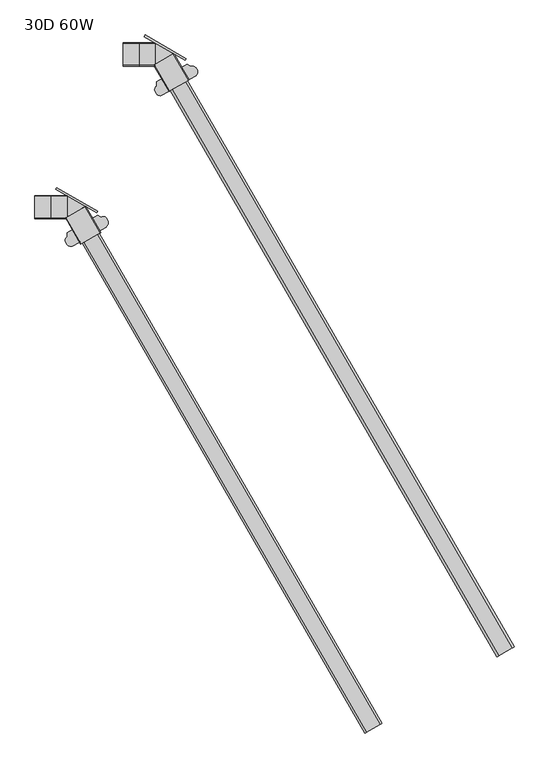
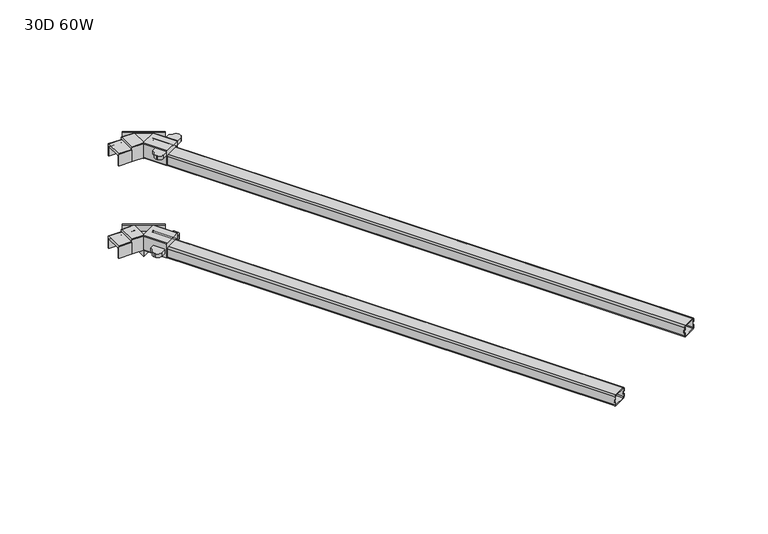
"""IFC4 building model written with IfcOpenShell, lengths in millimetres: furniture geometry, 30D 60W."""

from ifc_helpers import new_model, si_unit, point, frame, frame_2d, origin, place, context, project, spatial, polyline, circle_curve, trimmed, segment, composite_curve, outline, extrude, source, transform, mapped, element, save
from ifc_brep_helpers import plane_surface, cylinder_surface, revolved_surface, advanced_brep


def furniture_30d_60w_0c6207a5(model_context):
    return source(origin(), model_context, "Body", "SolidModel", [
        advanced_brep(
        [(1127.2693112, -177.0271966, 711.2), (1130.7334128, -175.0271966, 707.2), (1130.7334128, -175.0271966, 685.2), (1127.2693112, -177.0271966, 681.2), (1099.5564983, -193.0271966, 681.2), (1096.0923966, -195.0271966, 685.2), (1096.0923966, -195.0271966, 707.2), (1099.5564983, -193.0271966, 711.2), (1099.5564983, -193.0271966, 709.2), (1097.8244474, -194.0271966, 707.2), (1097.8244474, -194.0271966, 685.2), (1099.5564983, -193.0271966, 683.2), (1127.2693112, -177.0271966, 683.2), (1129.001362, -176.0271966, 685.2), (1129.001362, -176.0271966, 707.2), (1127.2693112, -177.0271966, 709.2), (1793.8382983, -1395.558549, 709.2), (1821.5511112, -1379.558549, 709.2), (1823.283162, -1378.558549, 707.2), (1823.283162, -1378.558549, 699.7), (1825.0152128, -1377.558549, 699.7), (1825.0152128, -1377.558549, 707.2), (1821.5511112, -1379.558549, 711.2), (1793.8382983, -1395.558549, 711.2), (1790.3741966, -1397.558549, 707.2), (1790.3741966, -1397.558549, 699.7), (1792.1062474, -1396.558549, 699.7), (1792.1062474, -1396.558549, 707.2), (1823.283162, -1378.558549, 685.2), (1821.5511112, -1379.558549, 683.2), (1793.8382983, -1395.558549, 683.2), (1792.1062474, -1396.558549, 685.2), (1792.1062474, -1396.558549, 692.7), (1790.3741966, -1397.558549, 692.7), (1790.3741966, -1397.558549, 685.2), (1793.8382983, -1395.558549, 681.2), (1821.5511112, -1379.558549, 681.2), (1825.0152128, -1377.558549, 685.2), (1825.0152128, -1377.558549, 692.7), (1823.283162, -1378.558549, 692.7), (1791.4237474, -1395.3764243, 699.7), (1791.1062474, -1394.8264982, 699.065), (1791.1062474, -1394.8264982, 693.335), (1791.4237474, -1395.3764243, 692.7), (1822.600662, -1377.3764243, 692.7), (1822.283162, -1376.8264982, 693.335), (1822.283162, -1376.8264982, 699.065), (1822.600662, -1377.3764243, 699.7), (1824.3327128, -1376.3764243, 699.7), (1824.0152128, -1375.8264982, 699.065), (1824.0152128, -1375.8264982, 693.335), (1824.3327128, -1376.3764243, 692.7), (1789.6916966, -1396.3764243, 692.7), (1789.3741966, -1395.8264982, 693.335), (1789.3741966, -1395.8264982, 699.065), (1789.6916966, -1396.3764243, 699.7)],
        [
            (0, 1, circle_curve(frame((1127.2693112, -177.0271966, 707.2), z_axis=(-0.4999999999999982, 0.8660254037844397, 0.0), x_axis=(-0.8660254037844397, -0.4999999999999982, 0.0)), 4.0)),
            (1, 2),
            (2, 3, circle_curve(frame((1127.2693112, -177.0271966, 685.2), z_axis=(-0.4999999999999982, 0.8660254037844397, 0.0), x_axis=(-0.8660254037844397, -0.4999999999999982, 0.0)), 4.0)),
            (3, 4),
            (4, 5, circle_curve(frame((1099.5564983, -193.0271966, 685.2), z_axis=(-0.4999999999999982, 0.8660254037844397, 0.0), x_axis=(-0.8660254037844397, -0.4999999999999982, 0.0)), 4.0)),
            (5, 6),
            (6, 7, circle_curve(frame((1099.5564983, -193.0271966, 707.2), z_axis=(-0.4999999999999982, 0.8660254037844397, 0.0), x_axis=(-0.8660254037844397, -0.4999999999999982, 0.0)), 4.0)),
            (7, 0),
            (8, 9, circle_curve(frame((1099.5564983, -193.0271966, 707.2), z_axis=(0.4999999999999982, -0.8660254037844397, 0.0), x_axis=(-0.8660254037844397, -0.4999999999999982, 0.0)), 2.0)),
            (9, 10),
            (10, 11, circle_curve(frame((1099.5564983, -193.0271966, 685.2), z_axis=(0.4999999999999982, -0.8660254037844397, 0.0), x_axis=(-0.8660254037844397, -0.4999999999999982, 0.0)), 2.0)),
            (11, 12),
            (12, 13, circle_curve(frame((1127.2693112, -177.0271966, 685.2), z_axis=(0.4999999999999982, -0.8660254037844397, 0.0), x_axis=(-0.8660254037844397, -0.4999999999999982, 0.0)), 2.0)),
            (13, 14),
            (14, 15, circle_curve(frame((1127.2693112, -177.0271966, 707.2), z_axis=(0.4999999999999982, -0.8660254037844397, 0.0), x_axis=(-0.8660254037844397, -0.4999999999999982, 0.0)), 2.0)),
            (15, 8),
            (16, 17),
            (17, 18, circle_curve(frame((1821.5511112, -1379.558549, 707.2), z_axis=(-0.4999999999999982, 0.8660254037844397, 0.0), x_axis=(-0.8660254037844397, -0.4999999999999982, 0.0)), 2.0)),
            (18, 19),
            (19, 20),
            (20, 21),
            (21, 22, circle_curve(frame((1821.5511112, -1379.558549, 707.2), z_axis=(0.4999999999999982, -0.8660254037844397, 0.0), x_axis=(-0.8660254037844397, -0.4999999999999982, 0.0)), 4.0)),
            (22, 23),
            (23, 24, circle_curve(frame((1793.8382983, -1395.558549, 707.2), z_axis=(0.4999999999999982, -0.8660254037844397, 0.0), x_axis=(-0.8660254037844397, -0.4999999999999982, 0.0)), 4.0)),
            (24, 25),
            (25, 26),
            (26, 27),
            (27, 16, circle_curve(frame((1793.8382983, -1395.558549, 707.2), z_axis=(-0.4999999999999982, 0.8660254037844397, 0.0), x_axis=(-0.8660254037844397, -0.4999999999999982, 0.0)), 2.0)),
            (28, 29, circle_curve(frame((1821.5511112, -1379.558549, 685.2), z_axis=(-0.4999999999999982, 0.8660254037844397, 0.0), x_axis=(-0.8660254037844397, -0.4999999999999982, 0.0)), 2.0)),
            (29, 30),
            (30, 31, circle_curve(frame((1793.8382983, -1395.558549, 685.2), z_axis=(-0.4999999999999982, 0.8660254037844397, 0.0), x_axis=(-0.8660254037844397, -0.4999999999999982, 0.0)), 2.0)),
            (31, 32),
            (32, 33),
            (33, 34),
            (34, 35, circle_curve(frame((1793.8382983, -1395.558549, 685.2), z_axis=(0.4999999999999982, -0.8660254037844397, 0.0), x_axis=(-0.8660254037844397, -0.4999999999999982, 0.0)), 4.0)),
            (35, 36),
            (36, 37, circle_curve(frame((1821.5511112, -1379.558549, 685.2), z_axis=(0.4999999999999982, -0.8660254037844397, 0.0), x_axis=(-0.8660254037844397, -0.4999999999999982, 0.0)), 4.0)),
            (37, 38),
            (38, 39),
            (39, 28),
            (8, 16),
            (27, 9),
            (26, 40),
            (40, 41, circle_curve(frame((1791.4237474, -1395.3764243, 699.065), z_axis=(-0.8660254037844389, -0.4999999999999995, 0.0), x_axis=(0.0, 0.0, 1.0)), 0.635)),
            (41, 42),
            (42, 43, circle_curve(frame((1791.4237474, -1395.3764243, 693.335), z_axis=(-0.8660254037844389, -0.4999999999999995, 0.0), x_axis=(0.0, 0.0, 1.0)), 0.635)),
            (43, 32),
            (31, 10),
            (30, 11),
            (29, 12),
            (28, 13),
            (39, 44),
            (44, 45, circle_curve(frame((1822.600662, -1377.3764243, 693.335), z_axis=(0.8660254037844389, 0.4999999999999995, 0.0), x_axis=(0.0, 0.0, 1.0)), 0.635)),
            (45, 46),
            (46, 47, circle_curve(frame((1822.600662, -1377.3764243, 699.065), z_axis=(0.8660254037844389, 0.4999999999999995, 0.0), x_axis=(0.0, 0.0, 1.0)), 0.635)),
            (47, 19),
            (18, 14),
            (17, 15),
            (0, 22),
            (21, 1),
            (20, 48),
            (48, 49, circle_curve(frame((1824.3327128, -1376.3764243, 699.065), z_axis=(-0.8660254037844389, -0.4999999999999995, 0.0), x_axis=(0.0, 0.0, 1.0)), 0.635)),
            (49, 50),
            (50, 51, circle_curve(frame((1824.3327128, -1376.3764243, 693.335), z_axis=(-0.8660254037844389, -0.4999999999999995, 0.0), x_axis=(0.0, 0.0, 1.0)), 0.635)),
            (51, 38),
            (37, 2),
            (36, 3),
            (35, 4),
            (34, 5),
            (33, 52),
            (52, 53, circle_curve(frame((1789.6916966, -1396.3764243, 693.335), z_axis=(0.8660254037844389, 0.4999999999999995, 0.0), x_axis=(0.0, 0.0, 1.0)), 0.635)),
            (53, 54),
            (54, 55, circle_curve(frame((1789.6916966, -1396.3764243, 699.065), z_axis=(0.8660254037844389, 0.4999999999999995, 0.0), x_axis=(0.0, 0.0, 1.0)), 0.635)),
            (55, 25),
            (24, 6),
            (23, 7),
            (55, 40),
            (47, 48),
            (54, 41),
            (46, 49),
            (53, 42),
            (45, 50),
            (52, 43),
            (44, 51),
        ],
        [
            plane_surface(frame((1097.8244474, -194.0271966, 707.2), z_axis=(-0.4999999999999982, 0.8660254037844397, 0.0), x_axis=(0.0, 0.0, -1.0))),
            plane_surface(frame((1792.1062474, -1396.558549, 707.2), z_axis=(0.4999999999999982, -0.8660254037844397, 0.0), x_axis=(0.0, 0.0, 1.0))),
            revolved_surface(polyline([(1792.106247492431, -1396.558549, 707.2), (1097.8244474564972, -194.02719656738122, 707.2)]), (1793.8382983, -1395.558549, 707.2), (0.4999999999999982, -0.8660254037844397, 0.0)),
            plane_surface(frame((1097.8244474, -194.0271966, 707.2), z_axis=(0.8660254037844397, 0.4999999999999982, 0.0), x_axis=(0.4999999999999982, -0.8660254037844397, 0.0))),
            revolved_surface(polyline([(1792.106247492431, -1396.558549, 685.2), (1097.8244474564972, -194.02719656738122, 685.2)]), (1793.8382983, -1395.558549, 685.2), (0.4999999999999982, -0.8660254037844397, 0.0)),
            plane_surface(frame((1099.5564983, -193.0271966, 683.2), z_axis=(0.0, 0.0, 1.0000000000000002), x_axis=(0.4999999999999983, -0.8660254037844397, 0.0))),
            revolved_surface(polyline([(1819.819060392431, -1380.558549, 685.2), (1125.5372603777128, -178.02719660412754, 685.2)]), (1821.5511112, -1379.558549, 685.2), (0.4999999999999982, -0.8660254037844397, 0.0)),
            plane_surface(frame((1129.001362, -176.0271966, 685.2), z_axis=(-0.8660254037844397, -0.4999999999999983, 0.0), x_axis=(0.4999999999999983, -0.8660254037844397, 0.0))),
            revolved_surface(polyline([(1819.819060392431, -1380.558549, 707.2), (1125.5372603777128, -178.02719660412754, 707.2)]), (1821.5511112, -1379.558549, 707.2), (0.4999999999999982, -0.8660254037844397, 0.0)),
            plane_surface(frame((1127.2693112, -177.0271966, 709.2), z_axis=(0.0, 0.0, -1.0), x_axis=(0.4999999999999982, -0.8660254037844397, 0.0))),
            cylinder_surface(frame((1774.9915889, -1298.9150908, 707.2), z_axis=(-0.4999999999999982, 0.8660254037844397, 0.0), x_axis=(-0.8660254037844397, -0.4999999999999982, 0.0)), 4.0),
            plane_surface(frame((1130.7334128, -175.0271966, 707.2), z_axis=(0.8660254037844397, 0.4999999999999982, 0.0), x_axis=(0.4999999999999982, -0.8660254037844397, 0.0))),
            cylinder_surface(frame((1774.9915889, -1298.9150908, 685.2), z_axis=(-0.4999999999999982, 0.8660254037844397, 0.0), x_axis=(-0.8660254037844397, -0.4999999999999982, 0.0)), 4.0),
            plane_surface(frame((1127.2693112, -177.0271966, 681.2), z_axis=(0.0, 0.0, -1.0), x_axis=(0.49999999999999817, -0.8660254037844397, 0.0))),
            cylinder_surface(frame((1747.278776, -1314.9150908, 685.2), z_axis=(-0.4999999999999982, 0.8660254037844397, 0.0), x_axis=(-0.8660254037844397, -0.4999999999999982, 0.0)), 4.0),
            plane_surface(frame((1096.0923966, -195.0271966, 685.2), z_axis=(-0.8660254037844397, -0.49999999999999817, 0.0), x_axis=(0.49999999999999817, -0.8660254037844397, 0.0))),
            cylinder_surface(frame((1747.278776, -1314.9150908, 707.2), z_axis=(-0.4999999999999982, 0.8660254037844397, 0.0), x_axis=(-0.8660254037844397, -0.4999999999999982, 0.0)), 4.0),
            plane_surface(frame((1099.5564983, -193.0271966, 711.2), z_axis=(0.0, 0.0, 1.0), x_axis=(0.4999999999999982, -0.8660254037844397, 0.0))),
            plane_surface(frame((1790.3741966, -1397.558549, 699.7), z_axis=(0.0, 0.0, -1.0000000000000002), x_axis=(0.8660254037844393, 0.49999999999999917, 0.0))),
            revolved_surface(polyline([(1789.6916965985577, -1396.376424328905, 699.7), (1791.4237474140477, -1395.3764243243318, 699.7)]), (1824.3327128, -1376.3764243, 699.065), (-0.8660254037844389, -0.4999999999999995, 0.0)),
            revolved_surface(polyline([(1822.6006619845098, -1377.3764243045734, 699.7), (1824.3327128, -1376.3764243, 699.7)]), (1824.3327128, -1376.3764243, 699.065), (-0.8660254037844389, -0.4999999999999995, 0.0)),
            plane_surface(frame((1789.3741966, -1395.8264982, 699.065), z_axis=(0.49999999999999917, -0.8660254037844393, 0.0), x_axis=(0.8660254037844393, 0.49999999999999917, 0.0))),
            revolved_surface(polyline([(1789.6916965985577, -1396.376424328905, 693.97), (1791.4237474140477, -1395.3764243243318, 693.97)]), (1824.3327128, -1376.3764243, 693.335), (-0.8660254037844389, -0.4999999999999995, 0.0)),
            revolved_surface(polyline([(1822.6006619845098, -1377.3764243045734, 693.97), (1824.3327128, -1376.3764243, 693.97)]), (1824.3327128, -1376.3764243, 693.335), (-0.8660254037844389, -0.4999999999999995, 0.0)),
            plane_surface(frame((1789.6916966, -1396.3764243, 692.7), z_axis=(0.0, 0.0, 1.0000000000000002), x_axis=(0.8660254037844393, 0.49999999999999917, 0.0))),
        ],
        [
            (0, [[1, 2, 3, 4, 5, 6, 7, 8], [9, 10, 11, 12, 13, 14, 15, 16]]),
            (1, [[17, 18, 19, 20, 21, 22, 23, 24, 25, 26, 27, 28]]),
            (1, [[29, 30, 31, 32, 33, 34, 35, 36, 37, 38, 39, 40]]),
            (2, [[-9, 41, -28, 42]]),
            (3, [[-10, -42, -27, 43, 44, 45, 46, 47, -32, 48]]),
            (4, [[-11, -48, -31, 49]]),
            (5, [[-12, -49, -30, 50]]),
            (6, [[-13, -50, -29, 51]]),
            (7, [[-14, -51, -40, 52, 53, 54, 55, 56, -19, 57]]),
            (8, [[-15, -57, -18, 58]]),
            (9, [[-16, -58, -17, -41]]),
            (10, [[-1, 59, -22, 60]]),
            (11, [[-2, -60, -21, 61, 62, 63, 64, 65, -38, 66]]),
            (12, [[-3, -66, -37, 67]]),
            (13, [[-4, -67, -36, 68]]),
            (14, [[-5, -68, -35, 69]]),
            (15, [[-6, -69, -34, 70, 71, 72, 73, 74, -25, 75]]),
            (16, [[-7, -75, -24, 76]]),
            (17, [[-8, -76, -23, -59]]),
            (18, [[77, -43, -26, -74]]),
            (18, [[78, -61, -20, -56]]),
            (19, [[-77, -73, 79, -44]]),
            (20, [[-78, -55, 80, -62]]),
            (21, [[-79, -72, 81, -45]]),
            (21, [[-80, -54, 82, -63]]),
            (22, [[-81, -71, 83, -46]]),
            (23, [[-82, -53, 84, -64]]),
            (24, [[-83, -70, -33, -47]]),
            (24, [[-84, -52, -39, -65]]),
        ],
    ),
        advanced_brep(
        [(920.6669103, -502.9390278, 711.2), (948.3797232, -486.9390278, 711.2), (951.8438248, -484.9390278, 707.2), (951.8438248, -484.9390278, 685.2), (948.3797232, -486.9390278, 681.2), (920.6669103, -502.9390278, 681.2), (917.2028086, -504.9390278, 685.2), (917.2028086, -504.9390278, 707.2), (948.3797232, -486.9390278, 709.2), (920.6669103, -502.9390278, 709.2), (918.9348595, -503.9390278, 707.2), (918.9348595, -503.9390278, 685.2), (920.6669103, -502.9390278, 683.2), (948.3797232, -486.9390278, 683.2), (950.111774, -485.9390278, 685.2), (950.111774, -485.9390278, 707.2), (1553.1881608, -1534.4979706, 709.2), (1554.9202116, -1533.4979706, 707.2), (1554.9202116, -1533.4979706, 699.7), (1556.6522624, -1532.4979706, 699.7), (1556.6522624, -1532.4979706, 707.2), (1553.1881608, -1534.4979706, 711.2), (1525.4753479, -1550.4979706, 711.2), (1522.0112463, -1552.4979706, 707.2), (1522.0112463, -1552.4979706, 699.7), (1523.7432971, -1551.4979706, 699.7), (1523.7432971, -1551.4979706, 707.2), (1525.4753479, -1550.4979706, 709.2), (1554.9202116, -1533.4979706, 685.2), (1553.1881608, -1534.4979706, 683.2), (1525.4753479, -1550.4979706, 683.2), (1523.7432971, -1551.4979706, 685.2), (1523.7432971, -1551.4979706, 692.7), (1522.0112463, -1552.4979706, 692.7), (1522.0112463, -1552.4979706, 685.2), (1525.4753479, -1550.4979706, 681.2), (1553.1881608, -1534.4979706, 681.2), (1556.6522624, -1532.4979706, 685.2), (1556.6522624, -1532.4979706, 692.7), (1554.9202116, -1533.4979706, 692.7), (1554.2377116, -1532.3158459, 692.7), (1553.9202116, -1531.7659198, 693.335), (1553.9202116, -1531.7659198, 699.065), (1554.2377116, -1532.3158459, 699.7), (1523.0607971, -1550.3158459, 699.7), (1522.7432971, -1549.7659198, 699.065), (1522.7432971, -1549.7659198, 693.335), (1523.0607971, -1550.3158459, 692.7), (1521.3287463, -1551.3158459, 692.7), (1521.0112463, -1550.7659198, 693.335), (1521.0112463, -1550.7659198, 699.065), (1521.3287463, -1551.3158459, 699.7), (1555.9697624, -1531.3158459, 699.7), (1555.6522624, -1530.7659198, 699.065), (1555.6522624, -1530.7659198, 693.335), (1555.9697624, -1531.3158459, 692.7)],
        [
            (0, 1),
            (1, 2, circle_curve(frame((948.3797232, -486.9390278, 707.2), z_axis=(-0.4999999999999982, 0.8660254037844397, 0.0), x_axis=(0.8660254037844397, 0.4999999999999982, 0.0)), 4.0)),
            (2, 3),
            (3, 4, circle_curve(frame((948.3797232, -486.9390278, 685.2), z_axis=(-0.4999999999999982, 0.8660254037844397, 0.0), x_axis=(0.8660254037844397, 0.4999999999999982, 0.0)), 4.0)),
            (4, 5),
            (5, 6, circle_curve(frame((920.6669103, -502.9390278, 685.2), z_axis=(-0.4999999999999982, 0.8660254037844397, 0.0), x_axis=(0.8660254037844397, 0.4999999999999982, 0.0)), 4.0)),
            (6, 7),
            (7, 0, circle_curve(frame((920.6669103, -502.9390278, 707.2), z_axis=(-0.4999999999999982, 0.8660254037844397, 0.0), x_axis=(0.8660254037844397, 0.4999999999999982, 0.0)), 4.0)),
            (8, 9),
            (9, 10, circle_curve(frame((920.6669103, -502.9390278, 707.2), z_axis=(0.4999999999999982, -0.8660254037844397, 0.0), x_axis=(0.8660254037844397, 0.4999999999999982, 0.0)), 2.0)),
            (10, 11),
            (11, 12, circle_curve(frame((920.6669103, -502.9390278, 685.2), z_axis=(0.4999999999999982, -0.8660254037844397, 0.0), x_axis=(0.8660254037844397, 0.4999999999999982, 0.0)), 2.0)),
            (12, 13),
            (13, 14, circle_curve(frame((948.3797232, -486.9390278, 685.2), z_axis=(0.4999999999999982, -0.8660254037844397, 0.0), x_axis=(0.8660254037844397, 0.4999999999999982, 0.0)), 2.0)),
            (14, 15),
            (15, 8, circle_curve(frame((948.3797232, -486.9390278, 707.2), z_axis=(0.4999999999999982, -0.8660254037844397, 0.0), x_axis=(0.8660254037844397, 0.4999999999999982, 0.0)), 2.0)),
            (16, 17, circle_curve(frame((1553.1881608, -1534.4979706, 707.2), z_axis=(-0.4999999999999982, 0.8660254037844397, 0.0), x_axis=(0.8660254037844397, 0.4999999999999982, 0.0)), 2.0)),
            (17, 18),
            (18, 19),
            (19, 20),
            (20, 21, circle_curve(frame((1553.1881608, -1534.4979706, 707.2), z_axis=(0.4999999999999982, -0.8660254037844397, 0.0), x_axis=(0.8660254037844397, 0.4999999999999982, 0.0)), 4.0)),
            (21, 22),
            (22, 23, circle_curve(frame((1525.4753479, -1550.4979706, 707.2), z_axis=(0.4999999999999982, -0.8660254037844397, 0.0), x_axis=(0.8660254037844397, 0.4999999999999982, 0.0)), 4.0)),
            (23, 24),
            (24, 25),
            (25, 26),
            (26, 27, circle_curve(frame((1525.4753479, -1550.4979706, 707.2), z_axis=(-0.4999999999999982, 0.8660254037844397, 0.0), x_axis=(0.8660254037844397, 0.4999999999999982, 0.0)), 2.0)),
            (27, 16),
            (28, 29, circle_curve(frame((1553.1881608, -1534.4979706, 685.2), z_axis=(-0.4999999999999982, 0.8660254037844397, 0.0), x_axis=(0.8660254037844397, 0.4999999999999982, 0.0)), 2.0)),
            (29, 30),
            (30, 31, circle_curve(frame((1525.4753479, -1550.4979706, 685.2), z_axis=(-0.4999999999999982, 0.8660254037844397, 0.0), x_axis=(0.8660254037844397, 0.4999999999999982, 0.0)), 2.0)),
            (31, 32),
            (32, 33),
            (33, 34),
            (34, 35, circle_curve(frame((1525.4753479, -1550.4979706, 685.2), z_axis=(0.4999999999999982, -0.8660254037844397, 0.0), x_axis=(0.8660254037844397, 0.4999999999999982, 0.0)), 4.0)),
            (35, 36),
            (36, 37, circle_curve(frame((1553.1881608, -1534.4979706, 685.2), z_axis=(0.4999999999999982, -0.8660254037844397, 0.0), x_axis=(0.8660254037844397, 0.4999999999999982, 0.0)), 4.0)),
            (37, 38),
            (38, 39),
            (39, 28),
            (15, 17),
            (16, 8),
            (14, 28),
            (39, 40),
            (40, 41, circle_curve(frame((1554.2377116, -1532.3158459, 693.335), z_axis=(0.8660254037844389, 0.4999999999999995, 0.0), x_axis=(0.0, 0.0, 1.0)), 0.635)),
            (41, 42),
            (42, 43, circle_curve(frame((1554.2377116, -1532.3158459, 699.065), z_axis=(0.8660254037844389, 0.4999999999999995, 0.0), x_axis=(0.0, 0.0, 1.0)), 0.635)),
            (43, 18),
            (13, 29),
            (12, 30),
            (11, 31),
            (10, 26),
            (25, 44),
            (44, 45, circle_curve(frame((1523.0607971, -1550.3158459, 699.065), z_axis=(-0.8660254037844389, -0.4999999999999995, 0.0), x_axis=(0.0, 0.0, 1.0)), 0.635)),
            (45, 46),
            (46, 47, circle_curve(frame((1523.0607971, -1550.3158459, 693.335), z_axis=(-0.8660254037844389, -0.4999999999999995, 0.0), x_axis=(0.0, 0.0, 1.0)), 0.635)),
            (47, 32),
            (9, 27),
            (7, 23),
            (22, 0),
            (6, 34),
            (33, 48),
            (48, 49, circle_curve(frame((1521.3287463, -1551.3158459, 693.335), z_axis=(0.8660254037844389, 0.4999999999999995, 0.0), x_axis=(0.0, 0.0, 1.0)), 0.635)),
            (49, 50),
            (50, 51, circle_curve(frame((1521.3287463, -1551.3158459, 699.065), z_axis=(0.8660254037844389, 0.4999999999999995, 0.0), x_axis=(0.0, 0.0, 1.0)), 0.635)),
            (51, 24),
            (5, 35),
            (4, 36),
            (3, 37),
            (2, 20),
            (19, 52),
            (52, 53, circle_curve(frame((1555.9697624, -1531.3158459, 699.065), z_axis=(-0.8660254037844389, -0.4999999999999995, 0.0), x_axis=(0.0, 0.0, 1.0)), 0.635)),
            (53, 54),
            (54, 55, circle_curve(frame((1555.9697624, -1531.3158459, 693.335), z_axis=(-0.8660254037844389, -0.4999999999999995, 0.0), x_axis=(0.0, 0.0, 1.0)), 0.635)),
            (55, 38),
            (1, 21),
            (43, 52),
            (51, 44),
            (42, 53),
            (50, 45),
            (41, 54),
            (49, 46),
            (40, 55),
            (48, 47),
        ],
        [
            plane_surface(frame((920.6669103, -502.9390278, 709.2), z_axis=(-0.49999999999999817, 0.8660254037844397, 0.0), x_axis=(-0.8660254037844397, -0.49999999999999817, 0.0))),
            plane_surface(frame((1525.4753479, -1550.4979706, 709.2), z_axis=(0.49999999999999817, -0.8660254037844397, 0.0), x_axis=(0.8660254037844397, 0.49999999999999817, 0.0))),
            revolved_surface(polyline([(1554.920211607569, -1533.4979706, 707.2), (950.111773992494, -485.93902780433336, 707.2)]), (1553.1881608, -1534.4979706, 707.2), (0.4999999999999982, -0.8660254037844397, 0.0)),
            plane_surface(frame((950.111774, -485.9390278, 685.2), z_axis=(-0.8660254037844397, -0.4999999999999982, 0.0), x_axis=(0.4999999999999982, -0.8660254037844397, 0.0))),
            revolved_surface(polyline([(1554.920211607569, -1533.4979706, 685.2), (950.111773992494, -485.93902780433336, 685.2)]), (1553.1881608, -1534.4979706, 685.2), (0.4999999999999982, -0.8660254037844397, 0.0)),
            plane_surface(frame((920.6669103, -502.9390278, 683.2), z_axis=(0.0, 0.0, 1.0000000000000002), x_axis=(0.4999999999999983, -0.8660254037844397, 0.0))),
            revolved_surface(polyline([(1527.2073987094611, -1549.4979706032773, 685.2), (922.3989610943863, -501.93902780761096, 685.2)]), (1525.4753479, -1550.4979706, 685.2), (0.4999999999999982, -0.8660254037844397, 0.0)),
            plane_surface(frame((918.9348595, -503.9390278, 707.2), z_axis=(0.8660254037844397, 0.4999999999999982, 0.0), x_axis=(0.4999999999999982, -0.8660254037844397, 0.0))),
            revolved_surface(polyline([(1527.2073987094611, -1549.4979706032773, 707.2), (922.3989610943863, -501.93902780761096, 707.2)]), (1525.4753479, -1550.4979706, 707.2), (0.4999999999999982, -0.8660254037844397, 0.0)),
            plane_surface(frame((948.3797232, -486.9390278, 709.2), z_axis=(0.0, 0.0, -1.0), x_axis=(0.49999999999999817, -0.8660254037844397, 0.0))),
            cylinder_surface(frame((1438.7688807, -1400.3179641, 707.2), z_axis=(-0.4999999999999982, 0.8660254037844397, 0.0), x_axis=(0.8660254037844397, 0.4999999999999982, 0.0)), 4.0),
            plane_surface(frame((917.2028086, -504.9390278, 685.2), z_axis=(-0.8660254037844397, -0.49999999999999817, 0.0), x_axis=(0.49999999999999817, -0.8660254037844397, 0.0))),
            cylinder_surface(frame((1438.7688807, -1400.3179641, 685.2), z_axis=(-0.4999999999999982, 0.8660254037844397, 0.0), x_axis=(0.8660254037844397, 0.4999999999999982, 0.0)), 4.0),
            plane_surface(frame((948.3797232, -486.9390278, 681.2), z_axis=(0.0, 0.0, -1.0), x_axis=(0.49999999999999817, -0.8660254037844397, 0.0))),
            cylinder_surface(frame((1466.4816936, -1384.3179641, 685.2), z_axis=(-0.4999999999999982, 0.8660254037844397, 0.0), x_axis=(0.8660254037844397, 0.4999999999999982, 0.0)), 4.0),
            plane_surface(frame((951.8438248, -484.9390278, 707.2), z_axis=(0.8660254037844397, 0.4999999999999981, 0.0), x_axis=(0.4999999999999981, -0.8660254037844397, 0.0))),
            cylinder_surface(frame((1466.4816936, -1384.3179641, 707.2), z_axis=(-0.4999999999999982, 0.8660254037844397, 0.0), x_axis=(0.8660254037844397, 0.4999999999999982, 0.0)), 4.0),
            plane_surface(frame((920.6669103, -502.9390278, 711.2), z_axis=(0.0, 0.0, 1.0), x_axis=(0.4999999999999981, -0.8660254037844397, 0.0))),
            plane_surface(frame((1521.900651, -1552.5618228, 699.7), z_axis=(0.0, 0.0, -1.0), x_axis=(0.8660254037844389, 0.4999999999999996, 0.0))),
            revolved_surface(polyline([(1554.2377115981535, -1532.3158459282051, 699.7), (1555.9697624136438, -1531.3158459236317, 699.7)]), (1555.8591672, -1531.3796981, 699.065), (-0.8660254037844389, -0.4999999999999995, 0.0)),
            revolved_surface(polyline([(1521.3287462872015, -1551.3158459092353, 699.7), (1523.0607971026916, -1550.315845904662, 699.7)]), (1555.8591672, -1531.3796981, 699.065), (-0.8660254037844389, -0.4999999999999995, 0.0)),
            plane_surface(frame((1520.900651, -1550.829772, 699.065), z_axis=(0.4999999999999996, -0.8660254037844389, 0.0), x_axis=(0.8660254037844389, 0.4999999999999996, 0.0))),
            revolved_surface(polyline([(1554.2377115981535, -1532.3158459282051, 693.97), (1555.9697624136438, -1531.3158459236317, 693.97)]), (1555.8591672, -1531.3796981, 693.335), (-0.8660254037844389, -0.4999999999999995, 0.0)),
            revolved_surface(polyline([(1521.3287462872015, -1551.3158459092353, 693.97), (1523.0607971026916, -1550.315845904662, 693.97)]), (1555.8591672, -1531.3796981, 693.335), (-0.8660254037844389, -0.4999999999999995, 0.0)),
            plane_surface(frame((1521.218151, -1551.3796981, 692.7), z_axis=(0.0, 0.0, 1.0), x_axis=(0.8660254037844389, 0.4999999999999996, 0.0))),
        ],
        [
            (0, [[1, 2, 3, 4, 5, 6, 7, 8], [9, 10, 11, 12, 13, 14, 15, 16]]),
            (1, [[17, 18, 19, 20, 21, 22, 23, 24, 25, 26, 27, 28]]),
            (1, [[29, 30, 31, 32, 33, 34, 35, 36, 37, 38, 39, 40]]),
            (2, [[-16, 41, -17, 42]]),
            (3, [[-15, 43, -40, 44, 45, 46, 47, 48, -18, -41]]),
            (4, [[-14, 49, -29, -43]]),
            (5, [[-13, 50, -30, -49]]),
            (6, [[-12, 51, -31, -50]]),
            (7, [[-11, 52, -26, 53, 54, 55, 56, 57, -32, -51]]),
            (8, [[-10, 58, -27, -52]]),
            (9, [[-9, -42, -28, -58]]),
            (10, [[-8, 59, -23, 60]]),
            (11, [[-7, 61, -34, 62, 63, 64, 65, 66, -24, -59]]),
            (12, [[-6, 67, -35, -61]]),
            (13, [[-5, 68, -36, -67]]),
            (14, [[-4, 69, -37, -68]]),
            (15, [[-3, 70, -20, 71, 72, 73, 74, 75, -38, -69]]),
            (16, [[-2, 76, -21, -70]]),
            (17, [[-1, -60, -22, -76]]),
            (18, [[77, -71, -19, -48]]),
            (18, [[78, -53, -25, -66]]),
            (19, [[-77, -47, 79, -72]]),
            (20, [[-78, -65, 80, -54]]),
            (21, [[-79, -46, 81, -73]]),
            (21, [[-80, -64, 82, -55]]),
            (22, [[-81, -45, 83, -74]]),
            (23, [[-82, -63, 84, -56]]),
            (24, [[-83, -44, -39, -75]]),
            (24, [[-84, -62, -33, -57]]),
        ],
    ),
        advanced_brep(
        [(979.2213399, -501.0860216, 706.9999988), (917.2689038, -536.8542772, 706.9999988), (917.2689038, -545.3397377, 706.9999988), (913.7429261, -555.9684527, 706.9999988), (916.1659567, -560.0707411, 706.9999988), (929.4489434, -563.6375334, 706.9999988), (995.8024185, -525.3283367, 706.9999988), (999.6968101, -511.9097729, 706.9999988), (997.5494522, -507.5875034, 706.9999988), (986.5915835, -505.3162406, 706.9999988), (979.2213399, -501.0860216, 696.9999988), (986.5915835, -505.3162406, 696.9999988), (997.5494522, -507.5875034, 696.9999988), (999.7824749, -511.8650531, 696.9999988), (995.7968506, -525.3186928, 696.9999988), (929.4489434, -563.6375334, 696.9999988), (916.1659567, -560.0707411, 696.9999988), (913.7429261, -555.9684527, 696.9999988), (917.2689038, -545.3397377, 696.9999988), (917.2689038, -536.8542772, 696.9999988)],
        [
            (0, 1),
            (1, 2),
            (2, 3, circle_curve(frame((920.822001, -552.4176575, 706.9999988), z_axis=(0.0, 0.0, 1.0), x_axis=(1.0, 0.0, 0.0)), 7.9196873)),
            (3, 4),
            (4, 5, circle_curve(frame((924.7226612, -554.7217554, 706.9999988), z_axis=(0.0, 0.0, 1.0), x_axis=(1.0, 0.0, 0.0)), 10.0910277)),
            (5, 6),
            (6, 7, circle_curve(frame((990.7513368, -516.5796065, 706.9999988), z_axis=(0.0, 0.0, 1.0), x_axis=(1.0, 0.0, 0.0)), 10.0910277)),
            (7, 8),
            (8, 9, circle_curve(frame((990.9335226, -511.9373861, 706.9999988), z_axis=(0.0, 0.0, 1.0), x_axis=(1.0, 0.0, 0.0)), 7.9178282)),
            (9, 0),
            (10, 11),
            (11, 12, circle_curve(frame((990.9335226, -511.9373861, 696.9999988), z_axis=(0.0, 0.0, -1.0), x_axis=(1.0, 0.0, 0.0)), 7.9178282)),
            (12, 13),
            (13, 14, circle_curve(frame((990.7513368, -516.5796065, 696.9999988), z_axis=(0.0, 0.0, -1.0), x_axis=(1.0, 0.0, 0.0)), 10.0910277)),
            (14, 15),
            (15, 16, circle_curve(frame((924.7226612, -554.7217554, 696.9999988), z_axis=(0.0, 0.0, -1.0), x_axis=(1.0, 0.0, 0.0)), 10.0910277)),
            (16, 17),
            (17, 18, circle_curve(frame((920.822001, -552.4176575, 696.9999988), z_axis=(0.0, 0.0, -1.0), x_axis=(1.0, 0.0, 0.0)), 7.9196873)),
            (18, 19),
            (19, 10),
            (1, 19),
            (18, 2),
            (4, 16),
            (15, 5),
            (8, 12),
            (11, 9),
            (10, 0),
            (17, 3),
            (7, 13),
            (14, 6),
        ],
        [
            plane_surface(frame((917.2689038, -536.8542772, 706.9999988), z_axis=(0.0, 0.0, 1.0000000000000002), x_axis=(-0.8660254037844393, -0.49999999999999906, 0.0))),
            plane_surface(frame((917.2689038, -536.8542772, 696.9999988), z_axis=(0.0, 0.0, -1.0000000000000002), x_axis=(0.8660254037844393, 0.49999999999999906, 0.0))),
            plane_surface(frame((917.2689038, -536.8542772, 706.9999988), z_axis=(-1.0, 0.0, 0.0), x_axis=(0.0, 0.0, -1.0))),
            cylinder_surface(frame((924.7226612, -554.7217554, 696.9999988), z_axis=(0.0, 0.0, 1.0), x_axis=(1.0, 0.0, 0.0)), 10.0910277),
            cylinder_surface(frame((990.9335226, -511.9373861, 696.9999988), z_axis=(0.0, 0.0, 1.0), x_axis=(1.0, 0.0, 0.0)), 7.9178282),
            plane_surface(frame((986.5915835, -505.3162406, 706.9999988), z_axis=(0.49779256538609046, 0.8672961211987144, 0.0), x_axis=(0.0, 0.0, -1.0))),
            cylinder_surface(frame((920.822001, -552.4176575, 696.9999988), z_axis=(0.0, 0.0, 1.0), x_axis=(1.0, 0.0, 0.0)), 7.9196873),
            plane_surface(frame((913.7429261, -555.9684527, 706.9999988), z_axis=(-0.8610229334579813, -0.508566129485058, 0.0), x_axis=(0.0, 0.0, -1.0))),
            plane_surface(frame((999.7824749, -511.8650531, 706.9999988), z_axis=(0.886477934129269, 0.4627708637132456, 0.0), x_axis=(0.0, 0.0, -1.0))),
            plane_surface(frame((979.2213399, -501.0860216, 706.9999988), z_axis=(-0.49999999999999906, 0.8660254037844393, 0.0), x_axis=(0.0, 0.0, -1.0))),
            plane_surface(frame((929.4489434, -563.6375334, 706.9999988), z_axis=(0.5000000000014354, -0.86602540378361, 0.0), x_axis=(0.0, 0.0, -1.0))),
            cylinder_surface(frame((990.7513368, -516.5796065, 696.9999988), z_axis=(0.0, 0.0, 1.0), x_axis=(1.0, 0.0, 0.0)), 10.0910277),
        ],
        [
            (0, [[1, 2, 3, 4, 5, 6, 7, 8, 9, 10]]),
            (1, [[11, 12, 13, 14, 15, 16, 17, 18, 19, 20]]),
            (2, [[-2, 21, -19, 22]]),
            (3, [[-5, 23, -16, 24]]),
            (4, [[-9, 25, -12, 26]]),
            (5, [[-10, -26, -11, 27]]),
            (6, [[-3, -22, -18, 28]]),
            (7, [[-4, -28, -17, -23]]),
            (8, [[-8, 29, -13, -25]]),
            (9, [[-1, -27, -20, -21]]),
            (10, [[-6, -24, -15, 30]]),
            (11, [[-7, -30, -14, -29]]),
        ],
    ),
        extrude(outline(polyline([(954.3313749, -483.5028401), (917.0922134, -505.00288), (917.0922134, -462.0028002), (954.3313749, -483.5028401)])), frame((0.0, 0.0, 665.0), z_axis=(0.0, 0.0, 1.0), x_axis=(1.0, 0.0, 0.0)), (0.0, 0.0, 1.0), 41.9999988),
        extrude(outline(composite_curve([segment(polyline([(2.5085897, 0.0), (2.5085897, -37.8284738)]), True, "CONTINUOUS"), segment(trimmed(circle_curve(frame_2d((1.052475, -37.8284738)), 1.4561147), [point((2.5085897, -37.8284738))], [point((1.052475, -39.2845885))], False, "CARTESIAN"), True, "CONTINUOUS"), segment(polyline([(1.052475, -39.2845885), (-43.1024804, -39.2845885)]), True, "CONTINUOUS"), segment(trimmed(circle_curve(frame_2d((-43.1024804, -37.8018294)), 1.4827591), [point((-43.1024804, -39.2845885))], [point((-44.5852394, -37.8018294))], False, "CARTESIAN"), True, "CONTINUOUS"), segment(polyline([(-44.5852394, -37.8018294), (-44.5852394, -6e-07), (-42.0328329, -6e-07), (-42.0328329, -23.9656046)]), True, "CONTINUOUS"), segment(trimmed(circle_curve(frame_2d((-39.7324715, -23.9656046)), 2.3003614), [point((-42.0328329, -23.9656046))], [point((-39.7324715, -26.265966))], True, "CARTESIAN"), True, "CONTINUOUS"), segment(polyline([(-39.7324715, -26.265966), (-2.3003598, -26.265966)]), True, "CONTINUOUS"), segment(trimmed(circle_curve(frame_2d((-2.3003598, -23.9656062)), 2.3003598), [point((-2.3003598, -26.265966))], [point((0.0, -23.9656062))], True, "CARTESIAN"), True, "CONTINUOUS"), segment(polyline([(0.0, -23.9656062), (0.0, 0.0), (2.5085897, 0.0)]), True, "CONTINUOUS")], self_intersect=False)), frame((1162.3441674, -227.6101125, 685.3535349), z_axis=(-0.49999999999999095, 0.866025403784444, 0.0), x_axis=(0.866025403784444, 0.49999999999999095, 0.0)), (0.0, 0.0, 1.0), 61.3435183),
        extrude(outline(composite_curve([segment(polyline([(2.5085896, 0.0), (2.5085896, -37.8284738)]), True, "CONTINUOUS"), segment(trimmed(circle_curve(frame_2d((1.0524749, -37.8284738)), 1.4561147), [point((2.5085896, -37.8284738))], [point((1.0524749, -39.2845885))], False, "CARTESIAN"), True, "CONTINUOUS"), segment(polyline([(1.0524749, -39.2845885), (-43.1024804, -39.2845885)]), True, "CONTINUOUS"), segment(trimmed(circle_curve(frame_2d((-43.1024804, -37.8018294)), 1.4827591), [point((-43.1024804, -39.2845885))], [point((-44.5852394, -37.8018294))], False, "CARTESIAN"), True, "CONTINUOUS"), segment(polyline([(-44.5852394, -37.8018294), (-44.5852394, -6e-07), (-42.0328329, -6e-07), (-42.0328329, -23.9656046)]), True, "CONTINUOUS"), segment(trimmed(circle_curve(frame_2d((-39.7324715, -23.9656046)), 2.3003614), [point((-42.0328329, -23.9656046))], [point((-39.7324715, -26.265966))], True, "CARTESIAN"), True, "CONTINUOUS"), segment(polyline([(-39.7324715, -26.265966), (-2.3003599, -26.265966)]), True, "CONTINUOUS"), segment(trimmed(circle_curve(frame_2d((-2.3003599, -23.9656062)), 2.3003598), [point((-2.3003599, -26.265966))], [point((0.0, -23.9656062))], True, "CARTESIAN"), True, "CONTINUOUS"), segment(polyline([(0.0, -23.9656062), (0.0, 0.0), (2.5085896, 0.0)]), True, "CONTINUOUS")], self_intersect=False)), frame((983.360592, -537.5576699, 685.3535349), z_axis=(-0.4999999999999994, 0.866025403784439, 0.0), x_axis=(0.866025403784439, 0.4999999999999994, 0.0)), (0.0, 0.0, 1.0), 61.3274644),
        extrude(outline(composite_curve([segment(polyline([(-508.5593026, 685.3535349), (-508.5593026, 716.5413207)]), True, "CONTINUOUS"), segment(trimmed(circle_curve(frame_2d((-507.1031879, 716.5413207)), 1.4561147), [point((-508.5593026, 716.5413207))], [point((-507.1031879, 717.9974354))], False, "CARTESIAN"), True, "CONTINUOUS"), segment(polyline([(-507.1031879, 717.9974354), (-462.9482326, 717.9974354)]), True, "CONTINUOUS"), segment(trimmed(circle_curve(frame_2d((-462.9482326, 716.5146763)), 1.4827591), [point((-462.9482326, 717.9974354))], [point((-461.4654735, 716.5146763))], False, "CARTESIAN"), True, "CONTINUOUS"), segment(polyline([(-461.4654735, 716.5146763), (-461.4654735, 685.3535355), (-464.01788, 685.3535355), (-464.01788, 709.3191394)]), True, "CONTINUOUS"), segment(trimmed(circle_curve(frame_2d((-466.3182414, 709.3191394)), 2.3003614), [point((-464.01788, 709.3191394))], [point((-466.3182414, 711.6195009))], True, "CARTESIAN"), True, "CONTINUOUS"), segment(polyline([(-466.3182414, 711.6195009), (-503.7503531, 711.6195009)]), True, "CONTINUOUS"), segment(trimmed(circle_curve(frame_2d((-503.7503531, 709.319141)), 2.3003598), [point((-503.7503531, 711.6195009))], [point((-506.050713, 709.319141))], True, "CARTESIAN"), True, "CONTINUOUS"), segment(polyline([(-506.050713, 709.319141), (-506.050713, 685.3535349), (-508.5593026, 685.3535349)]), True, "CONTINUOUS")], self_intersect=False)), frame((851.4705867, 0.0, 0.0), z_axis=(1.0, 0.0, 0.0), x_axis=(0.0, 1.0, 0.0)), (0.0, 0.0, 1.0), 33.5917754),
        extrude(outline(composite_curve([segment(polyline([(-508.5593026, 685.3535349), (-508.5593026, 723.1820087)]), True, "CONTINUOUS"), segment(trimmed(circle_curve(frame_2d((-507.1031879, 723.1820087)), 1.4561147), [point((-508.5593026, 723.1820087))], [point((-507.1031879, 724.6381234))], False, "CARTESIAN"), True, "CONTINUOUS"), segment(polyline([(-507.1031879, 724.6381234), (-462.9482326, 724.6381234)]), True, "CONTINUOUS"), segment(trimmed(circle_curve(frame_2d((-462.9482326, 723.1553643)), 1.4827591), [point((-462.9482326, 724.6381234))], [point((-461.4654735, 723.1553643))], False, "CARTESIAN"), True, "CONTINUOUS"), segment(polyline([(-461.4654735, 723.1553643), (-461.4654735, 685.3535355), (-464.01788, 685.3535355), (-464.01788, 709.3191395)]), True, "CONTINUOUS"), segment(trimmed(circle_curve(frame_2d((-466.3182414, 709.3191395)), 2.3003614), [point((-464.01788, 709.3191395))], [point((-466.3182414, 711.6195009))], True, "CARTESIAN"), True, "CONTINUOUS"), segment(polyline([(-466.3182414, 711.6195009), (-503.7503531, 711.6195009)]), True, "CONTINUOUS"), segment(trimmed(circle_curve(frame_2d((-503.7503531, 709.3191411)), 2.3003598), [point((-503.7503531, 711.6195009))], [point((-506.050713, 709.3191411))], True, "CARTESIAN"), True, "CONTINUOUS"), segment(polyline([(-506.050713, 709.3191411), (-506.050713, 685.3535349), (-508.5593026, 685.3535349)]), True, "CONTINUOUS")], self_intersect=False)), frame((885.062362, 0.0, 0.0), z_axis=(1.0, 0.0, 0.0), x_axis=(0.0, 1.0, 0.0)), (0.0, 0.0, 1.0), 32.0298514),
        extrude(outline(polyline([(0.0, 0.0), (7.9528123, -0.0004832), (7.9428058, -96.0228892), (-0.0070848, -96.021502), (-24.3188712, -95.913199), (-32.0571828, -95.911496), (-32.0471878, 0.0002828), (-24.3984049, 0.0), (0.0, 0.0)])), frame((977.435719, -496.8421394, 717.2471865), z_axis=(0.5000000000000022, 0.8660254037844375, 0.0), x_axis=(9.02488059120149e-05, -5.2105172387344406e-05, 0.999999994570102)), (0.0, 0.0, 1.0), 4.0),
        extrude(outline(composite_curve([segment(polyline([(-198.4706203, 685.3535349), (-198.4706203, 716.5413207)]), True, "CONTINUOUS"), segment(trimmed(circle_curve(frame_2d((-197.0145056, 716.5413207)), 1.4561147), [point((-198.4706203, 716.5413207))], [point((-197.0145056, 717.9974354))], False, "CARTESIAN"), True, "CONTINUOUS"), segment(polyline([(-197.0145056, 717.9974354), (-152.8595502, 717.9974354)]), True, "CONTINUOUS"), segment(trimmed(circle_curve(frame_2d((-152.8595502, 716.5146763)), 1.4827591), [point((-152.8595502, 717.9974354))], [point((-151.3767912, 716.5146763))], False, "CARTESIAN"), True, "CONTINUOUS"), segment(polyline([(-151.3767912, 716.5146763), (-151.3767912, 685.3535355), (-153.9291977, 685.3535355), (-153.9291977, 709.3191395)]), True, "CONTINUOUS"), segment(trimmed(circle_curve(frame_2d((-156.2295591, 709.3191395)), 2.3003614), [point((-153.9291977, 709.3191395))], [point((-156.2295591, 711.6195009))], True, "CARTESIAN"), True, "CONTINUOUS"), segment(polyline([(-156.2295591, 711.6195009), (-193.6616708, 711.6195009)]), True, "CONTINUOUS"), segment(trimmed(circle_curve(frame_2d((-193.6616708, 709.3191411)), 2.3003598), [point((-193.6616708, 711.6195009))], [point((-195.9620307, 709.3191411))], True, "CARTESIAN"), True, "CONTINUOUS"), segment(polyline([(-195.9620307, 709.3191411), (-195.9620307, 685.3535349), (-198.4706203, 685.3535349)]), True, "CONTINUOUS")], self_intersect=False)), frame((1030.4503327, 0.0, 0.0), z_axis=(1.0, 0.0, 0.0), x_axis=(0.0, 1.0, 0.0)), (0.0, 0.0, 1.0), 33.5917754),
        extrude(outline(composite_curve([segment(polyline([(-198.4706203, 685.3535349), (-198.4706203, 723.1820087)]), True, "CONTINUOUS"), segment(trimmed(circle_curve(frame_2d((-197.0145056, 723.1820087)), 1.4561147), [point((-198.4706203, 723.1820087))], [point((-197.0145056, 724.6381234))], False, "CARTESIAN"), True, "CONTINUOUS"), segment(polyline([(-197.0145056, 724.6381234), (-152.8595502, 724.6381234)]), True, "CONTINUOUS"), segment(trimmed(circle_curve(frame_2d((-152.8595502, 723.1553643)), 1.4827591), [point((-152.8595502, 724.6381234))], [point((-151.3767912, 723.1553643))], False, "CARTESIAN"), True, "CONTINUOUS"), segment(polyline([(-151.3767912, 723.1553643), (-151.3767912, 685.3535355), (-153.9291977, 685.3535355), (-153.9291977, 709.3191395)]), True, "CONTINUOUS"), segment(trimmed(circle_curve(frame_2d((-156.2295591, 709.3191395)), 2.3003614), [point((-153.9291977, 709.3191395))], [point((-156.2295591, 711.6195009))], True, "CARTESIAN"), True, "CONTINUOUS"), segment(polyline([(-156.2295591, 711.6195009), (-193.6616708, 711.6195009)]), True, "CONTINUOUS"), segment(trimmed(circle_curve(frame_2d((-193.6616708, 709.3191411)), 2.3003598), [point((-193.6616708, 711.6195009))], [point((-195.9620307, 709.3191411))], True, "CARTESIAN"), True, "CONTINUOUS"), segment(polyline([(-195.9620307, 709.3191411), (-195.9620307, 685.3535349), (-198.4706203, 685.3535349)]), True, "CONTINUOUS")], self_intersect=False)), frame((1064.042108, 0.0, 0.0), z_axis=(1.0, 0.0, 0.0), x_axis=(0.0, 1.0, 0.0)), (0.0, 0.0, 1.0), 31.9477347),
        extrude(outline(polyline([(1133.2290043, -173.5863662), (1095.9898428, -195.0864061), (1095.9898428, -152.0863263), (1133.2290043, -173.5863662)])), frame((0.0, 0.0, 681.2), z_axis=(0.0, 0.0, 1.0), x_axis=(1.0, 0.0, 0.0)), (0.0, 0.0, 1.0), 41.9999988),
        extrude(outline(composite_curve([segment(polyline([(1160.2590203, -194.7906176), (1167.7904048, -199.1388645)]), True, "CONTINUOUS"), segment(trimmed(circle_curve(frame_2d((1171.120229, -208.5311638)), 9.9650899), [point((1167.7904048, -199.1388645))], [point((1179.75025, -203.5486189))], False, "CARTESIAN"), True, "CONTINUOUS"), segment(polyline([(1179.75025, -203.5486189), (1180.8351168, -205.4276632)]), True, "CONTINUOUS"), segment(trimmed(circle_curve(frame_2d((1172.2050958, -210.4102082)), 9.9650899), [point((1180.8351168, -205.4276632))], [point((1177.1876407, -219.0402292))], False, "CARTESIAN"), True, "CONTINUOUS"), segment(polyline([(1177.1876407, -219.0402292), (1111.0232999, -257.2402292)]), True, "CONTINUOUS"), segment(trimmed(circle_curve(frame_2d((1106.0407549, -248.6102082)), 9.9650899), [point((1111.0232999, -257.2402292))], [point((1097.410734, -253.5927531))], False, "CARTESIAN"), True, "CONTINUOUS"), segment(polyline([(1097.410734, -253.5927531), (1096.3258672, -251.7137088)]), True, "CONTINUOUS"), segment(trimmed(circle_curve(frame_2d((1104.9558882, -246.7311638)), 9.9650899), [point((1096.3258672, -251.7137088))], [point((1098.4868304, -239.1513018))], False, "CARTESIAN"), True, "CONTINUOUS"), segment(polyline([(1098.4868304, -239.1513018), (1098.4868304, -230.454808), (1160.2590203, -194.7906176)]), True, "CONTINUOUS")], self_intersect=False)), frame((0.0, 0.0, 713.1999988), z_axis=(0.0, 0.0, 1.0), x_axis=(1.0, 0.0, 0.0)), (0.0, 0.0, 1.0), 10.0),
        extrude(outline(polyline([(0.0, 0.0), (7.9528123, -0.0004832), (7.9428058, -96.0228892), (-0.0070848, -96.021502), (-24.3188711, -95.913199), (-32.0571828, -95.9114961), (-32.0471878, 0.0002827), (-24.3984049, 1e-07), (0.0, 0.0)])), frame((1156.1775947, -186.835741, 717.2471865), z_axis=(0.5000000000000022, 0.8660254037844375, 0.0), x_axis=(9.024842707161603e-05, -5.2104953663738136e-05, 0.9999999945701477)), (0.0, 0.0, 1.0), 4.0),
    ])


if __name__ == "__main__":
    model = new_model("IFC4")
    model_context = context("Model", 3, world=origin())
    ifc_project = project(units=[si_unit("LENGTHUNIT", "METRE", prefix="MILLI")], contexts=[model_context])
    site = spatial("IfcSite", under=ifc_project)
    building = spatial("IfcBuilding", under=site)
    placement = place(None, origin())
    furniture_30d_60w_shape = furniture_30d_60w_0c6207a5(model_context)
    element("IfcFurniture", 1, ObjectType="30D 60W", at=placement, inside=building, context=model_context, shape_type="MappedRepresentation", body=[
        mapped(furniture_30d_60w_shape, transform((0.0, 0.0, 0.0), x_axis=(1.0, 0.0, 0.0), y_axis=(0.0, 1.0, 0.0), z_axis=(0.0, 0.0, 1.0))),
    ])
    save(model, "model.ifc")
